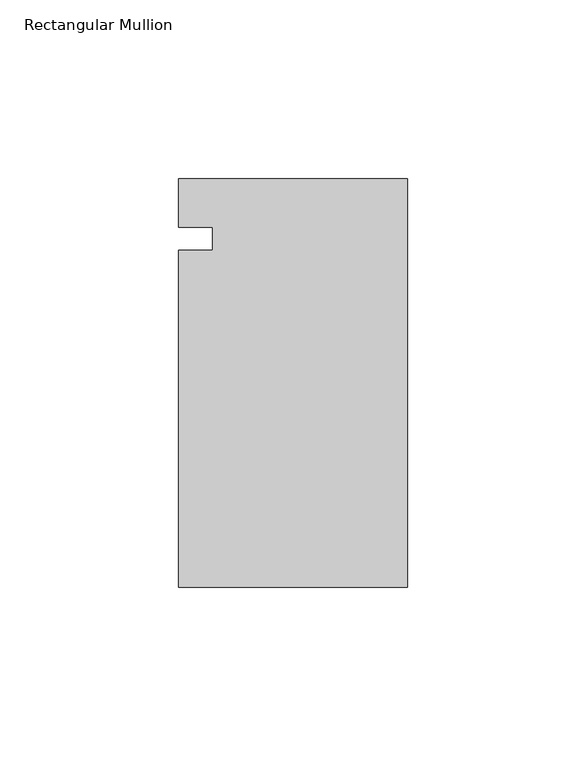
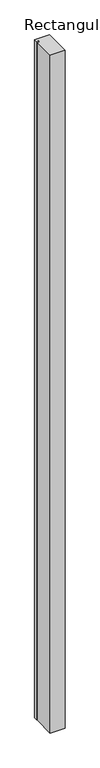
"""IFC4 building model written with IfcOpenShell, lengths in millimetres: member geometry, Rectangular Mullion."""

from ifc_helpers import new_model, si_unit, frame, origin, place, context, project, spatial, polyline, outline, extrude, source, transform, mapped, element, save


def rectangular_mullion_a6f1786c(model_context):
    return source(origin(), model_context, "Body", "SweptSolid", [
        extrude(outline(polyline([(0.0, -57.15), (-64.0110133, -57.15), (-64.0110133, 37.1163508), (-54.4860133, 37.1163508), (-54.4860133, 43.5565892), (-64.0110133, 43.5565892), (-64.0110133, 57.15), (0.0, 57.15), (0.0, -57.15)])), frame((0.0, 0.0, -3048.0), z_axis=(0.0, 0.0, 1.0), x_axis=(1.0, 0.0, 0.0)), (0.0, 0.0, 1.0), 3048.0),
    ])


if __name__ == "__main__":
    model = new_model("IFC4")
    model_context = context("Model", 3, world=origin())
    ifc_project = project(units=[si_unit("LENGTHUNIT", "METRE", prefix="MILLI")], contexts=[model_context])
    site = spatial("IfcSite", under=ifc_project)
    building = spatial("IfcBuilding", under=site)
    placement = place(None, origin())
    rectangular_mullion_shape = rectangular_mullion_a6f1786c(model_context)
    element("IfcMember", 1, ObjectType="Rectangular Mullion", at=placement, inside=building, context=model_context, shape_type="MappedRepresentation", body=[
        mapped(rectangular_mullion_shape, transform((0.0, 0.0, 0.0), x_axis=(1.0, 0.0, 0.0), y_axis=(0.0, 1.0, 0.0), z_axis=(0.0, 0.0, 1.0))),
    ])
    save(model, "model.ifc")
